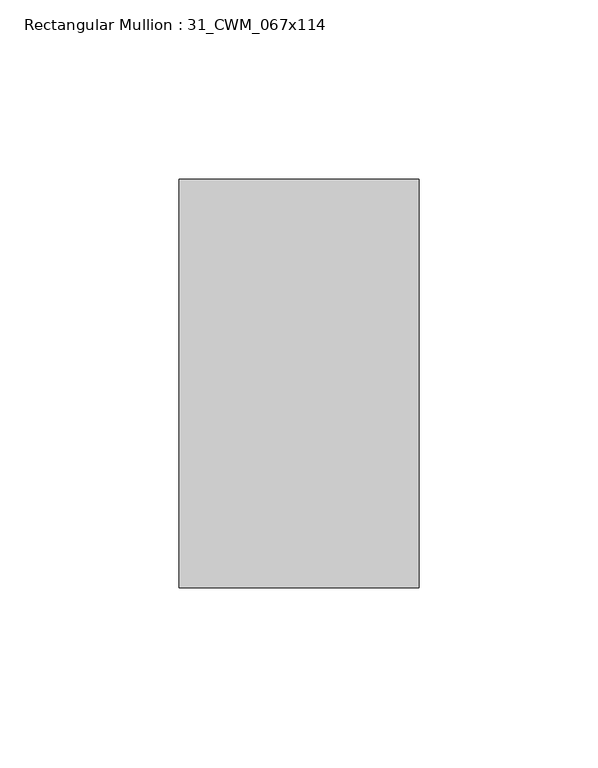
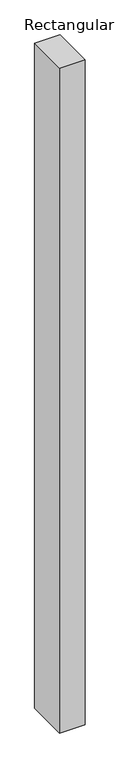
"""IFC4 building model written with IfcOpenShell, lengths in millimetres: member geometry, Rectangular Mullion : 31_CWM_067x114."""

from ifc_helpers import new_model, si_unit, frame, origin, place, context, project, spatial, polyline, outline, extrude, source, transform, mapped, element, save


def rectangular_mullion_31_cwm_067x114_2c8d069a(model_context):
    return source(origin(), model_context, "Body", "SweptSolid", [
        extrude(outline(polyline([(33.5, 0.0), (33.5, -114.0), (-33.5, -114.0), (-33.5, 0.0), (33.5, 0.0)])), frame((0.0, 0.0, -1860.0), z_axis=(0.0, 0.0, 1.0), x_axis=(1.0, 0.0, 0.0)), (0.0, 0.0, 1.0), 1860.0),
    ])


if __name__ == "__main__":
    model = new_model("IFC4")
    model_context = context("Model", 3, world=origin())
    ifc_project = project(units=[si_unit("LENGTHUNIT", "METRE", prefix="MILLI")], contexts=[model_context])
    site = spatial("IfcSite", under=ifc_project)
    building = spatial("IfcBuilding", under=site)
    placement = place(None, origin())
    rectangular_mullion_31_cwm_067x114_shape = rectangular_mullion_31_cwm_067x114_2c8d069a(model_context)
    element("IfcMember", 1, ObjectType="Rectangular Mullion : 31_CWM_067x114", at=placement, inside=building, context=model_context, shape_type="MappedRepresentation", body=[
        mapped(rectangular_mullion_31_cwm_067x114_shape, transform((0.0, 0.0, 0.0), x_axis=(1.0, 0.0, 0.0), y_axis=(0.0, 1.0, 0.0), z_axis=(0.0, 0.0, 1.0))),
    ])
    save(model, "model.ifc")
